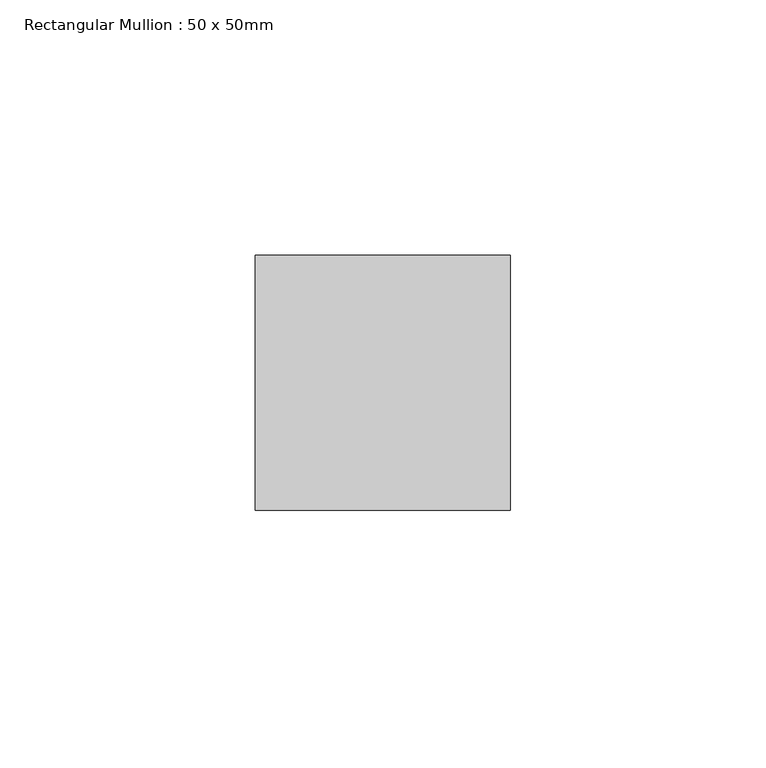
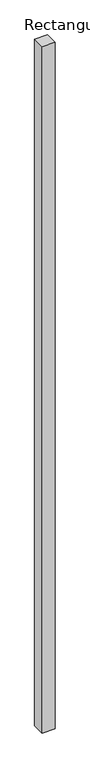
"""IFC4 building model written with IfcOpenShell, lengths in millimetres: member geometry, Rectangular Mullion : 50 x 50mm."""

from ifc_helpers import new_model, si_unit, frame, origin, place, context, project, spatial, polyline, outline, extrude, source, transform, mapped, element, save


def rectangular_mullion_50_x_50mm_39cda65e(model_context):
    return source(origin(), model_context, "Body", "SweptSolid", [
        extrude(outline(polyline([(0.0, 50.0), (0.0, 0.0), (-50.0, 0.0), (-50.0, 50.0), (0.0, 50.0)])), frame((0.0, 0.0, -2800.0), z_axis=(0.0, 0.0, 1.0), x_axis=(1.0, 0.0, 0.0)), (0.0, 0.0, 1.0), 2800.0),
    ])


if __name__ == "__main__":
    model = new_model("IFC4")
    model_context = context("Model", 3, world=origin())
    ifc_project = project(units=[si_unit("LENGTHUNIT", "METRE", prefix="MILLI")], contexts=[model_context])
    site = spatial("IfcSite", under=ifc_project)
    building = spatial("IfcBuilding", under=site)
    placement = place(None, origin())
    rectangular_mullion_50_x_50mm_shape = rectangular_mullion_50_x_50mm_39cda65e(model_context)
    element("IfcMember", 1, ObjectType="Rectangular Mullion : 50 x 50mm", at=placement, inside=building, context=model_context, shape_type="MappedRepresentation", body=[
        mapped(rectangular_mullion_50_x_50mm_shape, transform((0.0, 0.0, 0.0), x_axis=(1.0, 0.0, 0.0), y_axis=(0.0, 1.0, 0.0), z_axis=(0.0, 0.0, 1.0))),
    ])
    save(model, "model.ifc")
